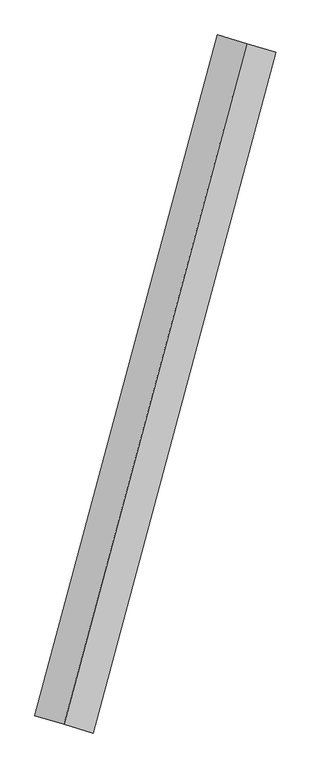
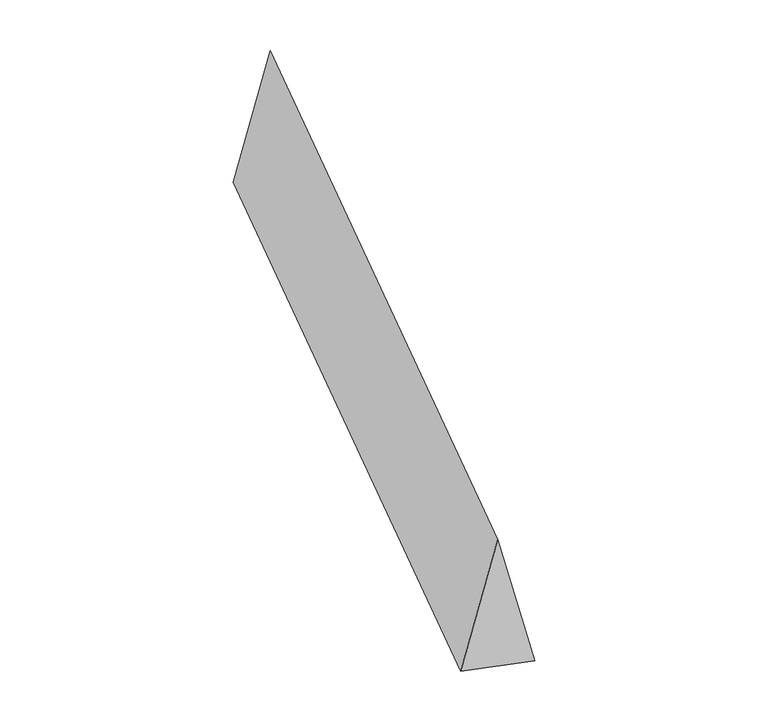
"""IFC4 building model written with IfcOpenShell, lengths in millimetres: proxy geometry."""

from ifc_helpers import new_model, si_unit, origin, place, context, project, spatial, faceted_brep, source, transform, mapped, element, save


def generic_models_1208f70c(model_context):
    return source(origin(), model_context, "Body", "Brep", [
        faceted_brep([(-519.0858685, -1932.0919377, 700.0), (-353.4288085, -1981.0046072, 0.0), (684.7429284, 1883.1792682, 0.0), (519.0858685, 1932.0919377, 700.0), (-684.7429284, -1883.1792682, 0.0), (353.4288085, 1981.0046072, 0.0)], [[[0, 1, 2, 3]], [[1, 4, 5, 2]], [[4, 0, 3, 5]], [[3, 2, 5]], [[0, 4, 1]]]),
    ])


if __name__ == "__main__":
    model = new_model("IFC4")
    model_context = context("Model", 3, world=origin())
    ifc_project = project(units=[si_unit("LENGTHUNIT", "METRE", prefix="MILLI")], contexts=[model_context])
    site = spatial("IfcSite", under=ifc_project)
    building = spatial("IfcBuilding", under=site)
    placement = place(None, origin())
    generic_models_shape = generic_models_1208f70c(model_context)
    element("IfcBuildingElementProxy", 1, Name="Generic Models", at=placement, inside=building, context=model_context, shape_type="MappedRepresentation", body=[
        mapped(generic_models_shape, transform((0.0, 0.0, 0.0), x_axis=(1.0, 0.0, 0.0), y_axis=(0.0, 1.0, 0.0), z_axis=(0.0, 0.0, 1.0))),
    ])
    save(model, "model.ifc")
